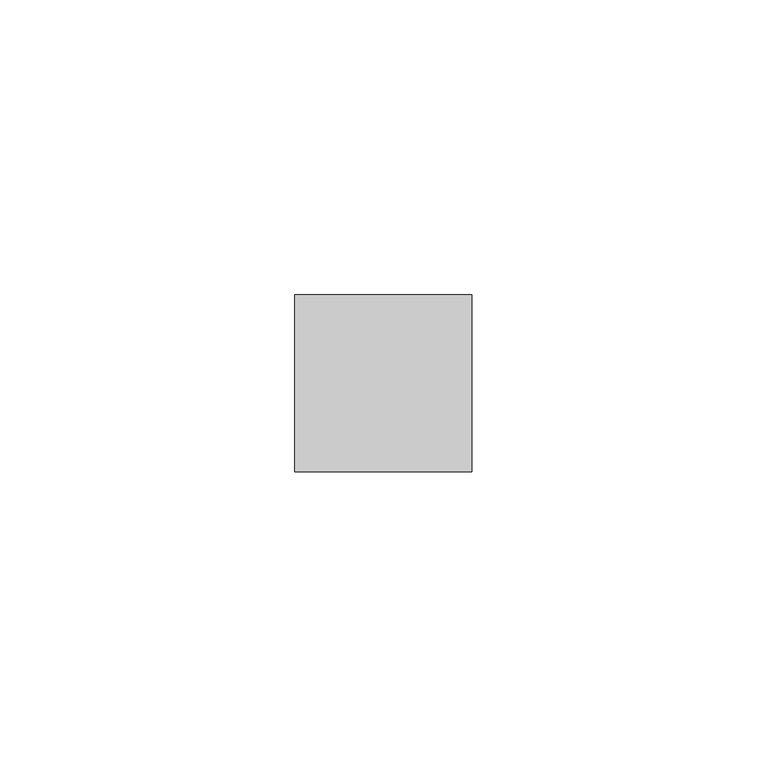
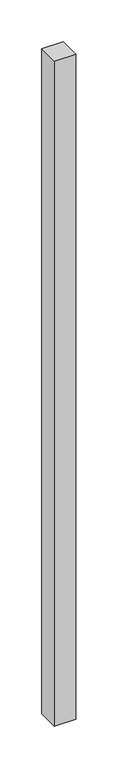
"""IFC4 building model written with IfcOpenShell, lengths in millimetres: member geometry."""

from ifc_helpers import new_model, si_unit, frame, origin, place, context, project, spatial, polyline, outline, extrude, source, transform, mapped, element, save


def member_1f856e69(model_context):
    return source(origin(), model_context, "Body", "SweptSolid", [
        extrude(outline(polyline([(15.0, 15.0), (15.0, -15.0), (-15.0, -15.0), (-15.0, 15.0), (15.0, 15.0)])), frame((0.0, 0.0, -972.5), z_axis=(0.0, 0.0, 1.0), x_axis=(1.0, 0.0, 0.0)), (0.0, 0.0, 1.0), 972.5),
    ])


if __name__ == "__main__":
    model = new_model("IFC4")
    model_context = context("Model", 3, world=origin())
    ifc_project = project(units=[si_unit("LENGTHUNIT", "METRE", prefix="MILLI")], contexts=[model_context])
    site = spatial("IfcSite", under=ifc_project)
    building = spatial("IfcBuilding", under=site)
    placement = place(None, origin())
    member_shape = member_1f856e69(model_context)
    element("IfcMember", 1, at=placement, inside=building, context=model_context, shape_type="MappedRepresentation", body=[
        mapped(member_shape, transform((0.0, 0.0, 0.0), x_axis=(1.0, 0.0, 0.0), y_axis=(0.0, 1.0, 0.0), z_axis=(0.0, 0.0, 1.0))),
    ])
    save(model, "model.ifc")
